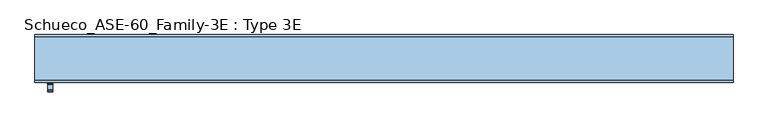
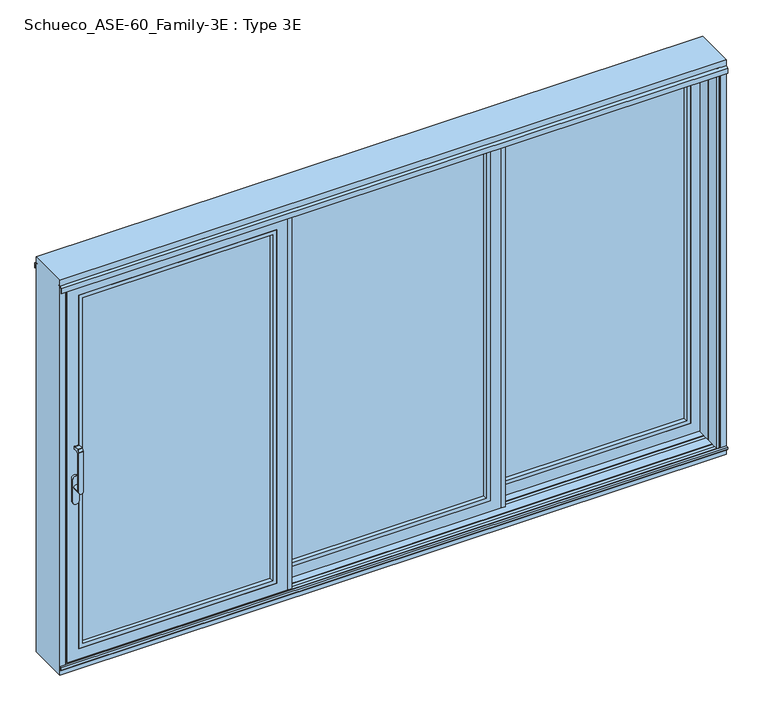
"""IFC4 building model written with IfcOpenShell, lengths in millimetres: window geometry, Schueco_ASE-60_Family-3E : Type 3E."""

from ifc_helpers import new_model, si_unit, point, frame, frame_2d, origin, origin_with_axes, place, context, project, spatial, polyline, circle_curve, trimmed, segment, composite_curve, outline, extrude, faceted_brep, source, transform, mapped, element, save
from ifc_brep_helpers import plane_surface, cylinder_surface, revolved_surface, advanced_brep


def schueco_ase_60_family_3e_type_3e_5dc89afd(model_context):
    return source(origin(), model_context, "Body", "SolidModel", [
        extrude(outline(polyline([(545.6649788, 90.0), (565.6649483, 90.0), (565.6649483, 84.5), (549.4650438, 84.5), (549.4650438, 30.0000255), (596.6665719, 30.0000255), (596.6665719, 14.0000255), (545.6649788, 14.0000255), (545.6649788, 90.0)])), frame((0.0, 0.0, 3.9982816), z_axis=(0.0, 0.0, 1.0), x_axis=(1.0, 0.0, 0.0)), (0.0, 0.0, 1.0), 2127.0034368),
        extrude(outline(polyline([(2071.0, 1690.0), (2071.0, 625.6666667), (64.0, 625.6666667), (64.0, 1690.0), (2071.0, 1690.0)]), holes=[polyline([(2048.987351, 647.6793157), (2048.987351, 1667.987351), (86.012649, 1667.987351), (86.012649, 647.6793157), (2048.987351, 647.6793157)])]), frame((0.0, 30.0000255, 0.0), z_axis=(0.0, 1.0, 0.0), x_axis=(0.0, 0.0, 1.0)), (0.0, 0.0, 1.0), 22.9999656),
        extrude(outline(polyline([(1690.0, 78.9999911), (1690.0, 52.9999911), (625.6666667, 52.9999911), (625.6666667, 78.9999911), (1690.0, 78.9999911)])), frame((0.0, 0.0, 64.0), z_axis=(0.0, 0.0, 1.0), x_axis=(1.0, 0.0, 0.0)), (0.0, 0.0, 1.0), 2007.0),
        faceted_brep([(647.6666667, 78.9999911, 2049.0), (647.6666667, 78.9999911, 86.0), (647.6666667, 90.0, 86.0), (647.6666667, 90.0, 2049.0), (565.6649483, 90.0, 2131.0017184), (1750.0017184, 90.0, 2131.0017184), (1750.0017184, 90.0, 3.9982816), (565.6649483, 90.0, 3.9982816), (1668.0, 90.0, 2049.0), (1668.0, 90.0, 86.0), (1668.0, 78.9999911, 86.0), (1690.0, 78.9999911, 2071.0), (625.6666667, 78.9999911, 2071.0), (625.6666667, 78.9999911, 64.0), (1690.0, 78.9999911, 64.0), (1668.0, 78.9999911, 2049.0), (625.6666667, 30.0000255, 2071.0), (625.6666667, 30.0000255, 64.0), (1690.0, 30.0000255, 64.0), (1750.0, 30.0000255, 2131.0), (565.6666667, 30.0000255, 2131.0), (565.6666667, 30.0000255, 4.0), (1750.0, 30.0000255, 4.0), (1690.0, 30.0000255, 2071.0), (565.6666667, 35.5000255, 2131.0), (565.6666667, 35.5000255, 4.0), (1750.0, 35.5000255, 4.0), (1750.0, 35.5000255, 2131.0), (1720.0, 35.5000255, 2101.0), (595.6666667, 35.5000255, 2101.0), (595.6666667, 35.5000255, 34.0), (1720.0, 35.5000255, 34.0), (595.6666667, 84.5000332, 2101.0), (595.6666667, 84.5000332, 34.0), (1720.0, 84.5000332, 34.0), (1750.0017184, 84.5000332, 2131.0017184), (565.6649483, 84.5000332, 2131.0017184), (565.6649483, 84.5000332, 3.9982816), (1750.0017184, 84.5000332, 3.9982816), (1720.0, 84.5000332, 2101.0)], [[[0, 1, 2, 3]], [[4, 5, 6, 7], [8, 3, 2, 9]], [[1, 10, 9, 2]], [[11, 12, 13, 14], [0, 15, 10, 1]], [[16, 17, 13, 12]], [[17, 18, 14, 13]], [[19, 20, 21, 22], [16, 23, 18, 17]], [[24, 25, 21, 20]], [[25, 26, 22, 21]], [[24, 27, 26, 25], [28, 29, 30, 31]], [[32, 33, 30, 29]], [[33, 34, 31, 30]], [[35, 36, 37, 38], [32, 39, 34, 33]], [[4, 7, 37, 36]], [[7, 6, 38, 37]], [[10, 15, 8, 9]], [[18, 23, 11, 14]], [[26, 27, 19, 22]], [[34, 39, 28, 31]], [[6, 5, 35, 38]], [[15, 0, 3, 8]], [[23, 16, 12, 11]], [[27, 24, 20, 19]], [[39, 32, 29, 28]], [[5, 4, 36, 35]]]),
        advanced_brep(
        [(-1723.75, -191.9999695, 999.005052), (-1699.75, -191.9999695, 999.005052), (-1699.75, -191.9999695, 1224.2360009), (-1723.75, -191.9999695, 1224.2360009), (-1723.75, -143.9999695, 999.005052), (-1699.75, -143.9999695, 999.005052), (-1723.75, -179.9999695, 999.005052), (-1699.75, -179.9999695, 999.005052), (-1699.75, -179.9999695, 1214.6494011), (-1699.75, -172.6493095, 1222.000061), (-1699.75, -151.9999695, 1222.000061), (-1699.75, -149.9999695, 1224.000061), (-1699.75, -149.9999695, 1235.000061), (-1699.75, -151.9999695, 1237.000061), (-1699.75, -179.2359094, 1237.000061), (-1699.75, -180.6501229, 1236.4142746), (-1699.75, -191.414183, 1225.6502145), (-1723.75, -191.414183, 1225.6502145), (-1723.75, -180.6501229, 1236.4142746), (-1723.75, -179.2359094, 1237.000061), (-1723.75, -151.9999695, 1237.000061), (-1723.75, -149.9999695, 1235.000061), (-1723.75, -149.9999695, 1224.000061), (-1723.75, -151.9999695, 1222.000061), (-1723.75, -172.6493095, 1222.000061), (-1723.75, -179.9999695, 1214.6494011)],
        [
            (0, 1, circle_curve(frame((-1711.75, -191.9999695, 999.005052), z_axis=(0.0, -1.0, 0.0), x_axis=(1.0000000000000009, 0.0, 0.0)), 12.0)),
            (1, 2),
            (2, 3),
            (3, 0),
            (4, 5, circle_curve(frame((-1711.75, -143.9999695, 999.005052), z_axis=(0.0, 1.0, 0.0), x_axis=(1.0000000000000009, 0.0, 0.0)), 12.0)),
            (5, 4, circle_curve(frame((-1711.75, -143.9999695, 999.005052), z_axis=(0.0, 1.0, 0.0), x_axis=(1.0000000000000009, 0.0, 0.0)), 12.0)),
            (0, 6),
            (6, 4),
            (5, 7),
            (7, 1),
            (6, 7, circle_curve(frame((-1711.75, -179.9999695, 999.005052), z_axis=(0.0, 1.0, 0.0), x_axis=(1.0000000000000009, 0.0, 0.0)), 12.0)),
            (7, 8),
            (8, 9, circle_curve(frame((-1699.75, -172.6493095, 1214.6494011), z_axis=(-1.0, 0.0, 0.0), x_axis=(0.0, 0.0, -1.0)), 7.35066)),
            (9, 10),
            (10, 11, circle_curve(frame((-1699.75, -151.9999695, 1224.000061), z_axis=(1.0, 0.0, 0.0), x_axis=(0.0, 0.0, -1.0)), 2.0)),
            (11, 12),
            (12, 13, circle_curve(frame((-1699.75, -151.9999695, 1235.000061), z_axis=(1.0, 0.0, 0.0), x_axis=(0.0, 0.0, -1.0)), 2.0)),
            (13, 14),
            (14, 15, circle_curve(frame((-1699.75, -179.2359094, 1235.000061), z_axis=(1.0, 0.0, 0.0), x_axis=(0.0, 0.0, -1.0)), 2.0)),
            (15, 16),
            (16, 2, circle_curve(frame((-1699.75, -189.9999695, 1224.2360009), z_axis=(1.0, 0.0, 0.0), x_axis=(0.0, 0.0, -1.0)), 2.0)),
            (3, 17, circle_curve(frame((-1723.75, -189.9999695, 1224.2360009), z_axis=(-1.0, 0.0, 0.0), x_axis=(0.0, 0.0, -1.0)), 2.0)),
            (17, 18),
            (18, 19, circle_curve(frame((-1723.75, -179.2359094, 1235.000061), z_axis=(-1.0, 0.0, 0.0), x_axis=(0.0, 0.0, -1.0)), 2.0)),
            (19, 20),
            (20, 21, circle_curve(frame((-1723.75, -151.9999695, 1235.000061), z_axis=(-1.0, 0.0, 0.0), x_axis=(0.0, 0.0, -1.0)), 2.0)),
            (21, 22),
            (22, 23, circle_curve(frame((-1723.75, -151.9999695, 1224.000061), z_axis=(-1.0, 0.0, 0.0), x_axis=(0.0, 0.0, -1.0)), 2.0)),
            (23, 24),
            (24, 25, circle_curve(frame((-1723.75, -172.6493095, 1214.6494011), z_axis=(1.0, 0.0, 0.0), x_axis=(0.0, 0.0, -1.0)), 7.35066)),
            (25, 6),
            (25, 8),
            (24, 9),
            (23, 10),
            (22, 11),
            (21, 12),
            (20, 13),
            (19, 14),
            (18, 15),
            (17, 16),
        ],
        [
            plane_surface(frame((-1699.75, -191.9999695, 999.005052), z_axis=(0.0, -1.0, 0.0), x_axis=(0.0, 0.0, 1.0))),
            plane_surface(frame((-1699.75, -143.9999695, 999.005052), z_axis=(0.0, 1.0, 0.0), x_axis=(0.0, 0.0, -1.0))),
            cylinder_surface(frame((-1711.75, -143.9999695, 999.005052), z_axis=(0.0, -1.0000000000000009, 0.0), x_axis=(1.0000000000000009, 0.0, 0.0)), 12.0),
            plane_surface(frame((-1699.75, -191.9999695, 1004.7503433), z_axis=(1.0, 0.0, 0.0), x_axis=(0.0, 0.0, -1.0))),
            plane_surface(frame((-1723.75, -191.9999695, 1004.7503433), z_axis=(-1.0, 0.0, 0.0), x_axis=(0.0, 0.0, 1.0))),
            plane_surface(frame((-1699.75, -179.9999695, 999.0), z_axis=(0.0, 1.0, 0.0), x_axis=(-1.0, 0.0, 0.0))),
            revolved_surface(polyline([(-1723.75, -172.6493095, 1207.2987411), (-1699.75, -172.6493095, 1207.2987411)]), (-1723.75, -172.6493095, 1214.6494011), (-1.0000000000000009, 0.0, 0.0)),
            plane_surface(frame((-1699.75, -172.6493095, 1222.000061), z_axis=(0.0, 0.0, -1.0), x_axis=(-1.0, 0.0, 0.0))),
            cylinder_surface(frame((-1723.75, -151.9999695, 1224.000061), z_axis=(1.0000000000000009, 0.0, 0.0), x_axis=(0.0, 0.0, -1.0)), 2.0),
            plane_surface(frame((-1699.75, -149.9999695, 1224.000061), z_axis=(0.0, 1.0, 0.0), x_axis=(-1.0, 0.0, 0.0))),
            cylinder_surface(frame((-1723.75, -151.9999695, 1235.000061), z_axis=(1.0000000000000009, 0.0, 0.0), x_axis=(0.0, 0.0, -1.0)), 2.0),
            plane_surface(frame((-1699.75, -151.9999695, 1237.000061), z_axis=(0.0, 0.0, 1.0), x_axis=(-1.0, 0.0, 0.0))),
            cylinder_surface(frame((-1723.75, -179.2359094, 1235.000061), z_axis=(1.0000000000000009, 0.0, 0.0), x_axis=(0.0, 0.0, -1.0)), 2.0),
            plane_surface(frame((-1699.75, -180.6501229, 1236.4142746), z_axis=(0.0, -0.7071067811865419, 0.7071067811865531), x_axis=(-1.0, 0.0, 0.0))),
            cylinder_surface(frame((-1723.75, -189.9999695, 1224.2360009), z_axis=(1.0000000000000009, 0.0, 0.0), x_axis=(0.0, 0.0, -1.0)), 2.0),
        ],
        [
            (0, [[1, 2, 3, 4]]),
            (1, [[5, 6]]),
            (2, [[-1, 7, 8, -6, 9, 10]]),
            (2, [[-5, -8, 11, -9]]),
            (3, [[-2, -10, 12, 13, 14, 15, 16, 17, 18, 19, 20, 21]]),
            (4, [[22, 23, 24, 25, 26, 27, 28, 29, 30, 31, -7, -4]]),
            (5, [[-12, -11, -31, 32]]),
            (6, [[-13, -32, -30, 33]]),
            (7, [[-14, -33, -29, 34]]),
            (8, [[-15, -34, -28, 35]]),
            (9, [[-16, -35, -27, 36]]),
            (10, [[-17, -36, -26, 37]]),
            (11, [[-18, -37, -25, 38]]),
            (12, [[-19, -38, -24, 39]]),
            (13, [[-20, -39, -23, 40]]),
            (14, [[-21, -40, -22, -3]]),
        ],
    ),
        extrude(outline(composite_curve([segment(trimmed(circle_curve(frame_2d((917.2823932, -1711.75)), 16.75), [point((917.2823932, -1728.5))], [point((917.2823932, -1695.0))], False, "CARTESIAN"), True, "CONTINUOUS"), segment(polyline([(917.2823932, -1695.0), (1044.0099288, -1695.0)]), True, "CONTINUOUS"), segment(trimmed(circle_curve(frame_2d((1044.0099288, -1711.75)), 16.75), [point((1044.0099288, -1695.0))], [point((1044.0099288, -1728.5))], False, "CARTESIAN"), True, "CONTINUOUS"), segment(polyline([(1044.0099288, -1728.5), (917.2823932, -1728.5)]), True, "CONTINUOUS")], self_intersect=False)), frame((0.0, -143.9999695, 0.0), z_axis=(0.0, 1.0, 0.0), x_axis=(0.0, 0.0, 1.0)), (0.0, 0.0, 1.0), 13.9999695),
        extrude(outline(polyline([(-596.6682903, -54.0000255), (-545.6666972, -54.0000255), (-545.6666972, -130.0), (-565.6666667, -130.0), (-565.6666667, -124.5), (-549.4667622, -124.5), (-549.4667622, -70.0000255), (-596.6682903, -70.0000255), (-596.6682903, -54.0000255)])), frame((0.0, 0.0, 4.0), z_axis=(0.0, 0.0, 1.0), x_axis=(1.0, 0.0, 0.0)), (0.0, 0.0, 1.0), 2127.0),
        extrude(outline(polyline([(2071.0, -1690.0), (64.0, -1690.0), (64.0, -625.6666667), (2071.0, -625.6666667), (2071.0, -1690.0)]), holes=[polyline([(2048.987351, -647.6793157), (86.012649, -647.6793157), (86.012649, -1667.987351), (2048.987351, -1667.987351), (2048.987351, -647.6793157)])]), frame((0.0, -130.0, 0.0), z_axis=(0.0, 1.0, 0.0), x_axis=(0.0, 0.0, 1.0)), (0.0, 0.0, 1.0), 22.9999656),
        extrude(outline(polyline([(-1690.0, -81.0000344), (-625.6666667, -81.0000344), (-625.6666667, -107.0000344), (-1690.0, -107.0000344), (-1690.0, -81.0000344)])), frame((0.0, 0.0, 64.0), z_axis=(0.0, 0.0, 1.0), x_axis=(1.0, 0.0, 0.0)), (0.0, 0.0, 1.0), 2007.0),
        faceted_brep([(-647.6666667, -81.0000344, 2049.0), (-647.6666667, -70.0000255, 2049.0), (-647.6666667, -70.0000255, 86.0), (-647.6666667, -81.0000344, 86.0), (-565.6649483, -70.0000255, 2131.0017184), (-565.6649483, -70.0000255, 3.9982816), (-1750.0017184, -70.0000255, 3.9982816), (-1750.0017184, -70.0000255, 2131.0017184), (-1668.0, -70.0000255, 2049.0), (-1668.0, -70.0000255, 86.0), (-1668.0, -81.0000344, 86.0), (-1690.0, -81.0000344, 2071.0), (-1690.0, -81.0000344, 64.0), (-625.6666667, -81.0000344, 64.0), (-625.6666667, -81.0000344, 2071.0), (-1668.0, -81.0000344, 2049.0), (-625.6666667, -130.0, 2071.0), (-625.6666667, -130.0, 64.0), (-1690.0, -130.0, 64.0), (-1750.0, -130.0, 2131.0), (-1750.0, -130.0, 4.0), (-565.6666667, -130.0, 4.0), (-565.6666667, -130.0, 2131.0), (-1690.0, -130.0, 2071.0), (-565.6666667, -124.5, 2131.0), (-565.6666667, -124.5, 4.0), (-1750.0, -124.5, 4.0), (-1750.0, -124.5, 2131.0), (-1720.0, -124.5, 2101.0), (-1720.0, -124.5, 34.0), (-595.6666667, -124.5, 34.0), (-595.6666667, -124.5, 2101.0), (-595.6666667, -75.4999923, 2101.0), (-595.6666667, -75.4999923, 34.0), (-1720.0, -75.4999923, 34.0), (-1750.0017184, -75.4999923, 2131.0017184), (-1750.0017184, -75.4999923, 3.9982816), (-565.6649483, -75.4999923, 3.9982816), (-565.6649483, -75.4999923, 2131.0017184), (-1720.0, -75.4999923, 2101.0)], [[[0, 1, 2, 3]], [[4, 5, 6, 7], [8, 9, 2, 1]], [[3, 2, 9, 10]], [[11, 12, 13, 14], [0, 3, 10, 15]], [[16, 14, 13, 17]], [[17, 13, 12, 18]], [[19, 20, 21, 22], [16, 17, 18, 23]], [[24, 22, 21, 25]], [[25, 21, 20, 26]], [[24, 25, 26, 27], [28, 29, 30, 31]], [[32, 31, 30, 33]], [[33, 30, 29, 34]], [[35, 36, 37, 38], [32, 33, 34, 39]], [[4, 38, 37, 5]], [[5, 37, 36, 6]], [[10, 9, 8, 15]], [[18, 12, 11, 23]], [[26, 20, 19, 27]], [[34, 29, 28, 39]], [[6, 36, 35, 7]], [[15, 8, 1, 0]], [[23, 11, 14, 16]], [[27, 19, 22, 24]], [[39, 28, 31, 32]], [[7, 35, 38, 4]]]),
        extrude(outline(polyline([(-647.6683546, 10.0), (-627.6683851, 10.0), (-627.6683851, 4.5), (-643.8682895, 4.5), (-643.8682895, -49.9999745), (-596.6667615, -49.9999745), (-596.6667615, -65.9999745), (-647.6683546, -65.9999745), (-647.6683546, 10.0)])), frame((0.0, 0.0, 3.9982816), z_axis=(0.0, 0.0, 1.0), x_axis=(1.0, 0.0, 0.0)), (0.0, 0.0, 1.0), 2127.0034368),
        extrude(outline(polyline([(596.6650431, 26.0), (647.6666361, 26.0), (647.6666361, -49.9999745), (627.6666667, -49.9999745), (627.6666667, -44.4999745), (643.8665711, -44.4999745), (643.8665711, 10.0), (596.6650431, 10.0), (596.6650431, 26.0)])), frame((0.0, 0.0, 4.0), z_axis=(0.0, 0.0, 1.0), x_axis=(1.0, 0.0, 0.0)), (0.0, 0.0, 1.0), 2127.0),
        extrude(outline(polyline([(2071.0, -567.6666667), (64.0, -567.6666667), (64.0, 567.6666667), (2071.0, 567.6666667), (2071.0, -567.6666667)]), holes=[polyline([(2048.987351, 545.6540176), (86.012649, 545.6540176), (86.012649, -545.6540176), (2048.987351, -545.6540176), (2048.987351, 545.6540176)])]), frame((0.0, -49.9999745, 0.0), z_axis=(0.0, 1.0, 0.0), x_axis=(0.0, 0.0, 1.0)), (0.0, 0.0, 1.0), 22.9999656),
        extrude(outline(polyline([(-567.6666667, -1.0000089), (567.6666667, -1.0000089), (567.6666667, -27.0000089), (-567.6666667, -27.0000089), (-567.6666667, -1.0000089)])), frame((0.0, 0.0, 64.0), z_axis=(0.0, 0.0, 1.0), x_axis=(1.0, 0.0, 0.0)), (0.0, 0.0, 1.0), 2007.0),
        faceted_brep([(545.6666667, -1.0000089, 2049.0), (545.6666667, 10.0, 2049.0), (545.6666667, 10.0, 86.0), (545.6666667, -1.0000089, 86.0), (627.6683851, 10.0, 2131.0017184), (627.6683851, 10.0, 3.9982816), (-627.6683851, 10.0, 3.9982816), (-627.6683851, 10.0, 2131.0017184), (-545.6666667, 10.0, 2049.0), (-545.6666667, 10.0, 86.0), (-545.6666667, -1.0000089, 86.0), (-567.6666667, -1.0000089, 2071.0), (-567.6666667, -1.0000089, 64.0), (567.6666667, -1.0000089, 64.0), (567.6666667, -1.0000089, 2071.0), (-545.6666667, -1.0000089, 2049.0), (567.6666667, -49.9999745, 2071.0), (567.6666667, -49.9999745, 64.0), (-567.6666667, -49.9999745, 64.0), (-627.6666667, -49.9999745, 2131.0), (-627.6666667, -49.9999745, 4.0), (627.6666667, -49.9999745, 4.0), (627.6666667, -49.9999745, 2131.0), (-567.6666667, -49.9999745, 2071.0), (627.6666667, -44.4999745, 2131.0), (627.6666667, -44.4999745, 4.0), (-627.6666667, -44.4999745, 4.0), (-627.6666667, -44.4999745, 2131.0), (-597.6666667, -44.4999745, 2101.0), (-597.6666667, -44.4999745, 34.0), (597.6666667, -44.4999745, 34.0), (597.6666667, -44.4999745, 2101.0), (597.6666667, 4.5000332, 2101.0), (597.6666667, 4.5000332, 34.0), (-597.6666667, 4.5000332, 34.0), (-627.6683851, 4.5000332, 2131.0017184), (-627.6683851, 4.5000332, 3.9982816), (627.6683851, 4.5000332, 3.9982816), (627.6683851, 4.5000332, 2131.0017184), (-597.6666667, 4.5000332, 2101.0)], [[[0, 1, 2, 3]], [[4, 5, 6, 7], [8, 9, 2, 1]], [[3, 2, 9, 10]], [[11, 12, 13, 14], [0, 3, 10, 15]], [[16, 14, 13, 17]], [[17, 13, 12, 18]], [[19, 20, 21, 22], [16, 17, 18, 23]], [[24, 22, 21, 25]], [[25, 21, 20, 26]], [[24, 25, 26, 27], [28, 29, 30, 31]], [[32, 31, 30, 33]], [[33, 30, 29, 34]], [[35, 36, 37, 38], [32, 33, 34, 39]], [[4, 38, 37, 5]], [[5, 37, 36, 6]], [[10, 9, 8, 15]], [[18, 12, 11, 23]], [[26, 20, 19, 27]], [[34, 29, 28, 39]], [[6, 36, 35, 7]], [[15, 8, 1, 0]], [[23, 11, 14, 16]], [[27, 19, 22, 24]], [[39, 28, 31, 32]], [[7, 35, 38, 4]]]),
        extrude(outline(polyline([(-1739.0, 15.0), (-1758.0007202, 15.0), (-1758.0007202, 19.0), (-1742.0, 19.0), (-1742.0, 78.2882381), (-1750.0, 81.2), (-1750.0, 90.0), (-1739.0, 90.0), (-1739.0, 15.0)])), frame((0.0, 0.0, -19.0), z_axis=(0.0, 0.0, 1.0), x_axis=(1.0, 0.0, 0.0)), (0.0, 0.0, 1.0), 2176.5),
        extrude(outline(polyline([(-1739.0, -65.0), (-1758.0007202, -65.0), (-1758.0007202, -61.0), (-1742.0, -61.0), (-1742.0, -1.7117619), (-1750.0, 1.2), (-1750.0, 10.0), (-1739.0, 10.0), (-1739.0, -65.0)])), frame((0.0, 0.0, -19.0), z_axis=(0.0, 0.0, 1.0), x_axis=(1.0, 0.0, 0.0)), (0.0, 0.0, 1.0), 2176.5),
        extrude(outline(polyline([(1739.0, -55.0), (1758.0007202, -55.0), (1758.0007202, -59.0), (1742.0, -59.0), (1742.0, -118.2882381), (1750.0, -121.2), (1750.0, -130.0), (1739.0, -130.0), (1739.0, -55.0)])), origin_with_axes(), (0.0, 0.0, 1.0), 2157.5),
        extrude(outline(polyline([(1739.0, 25.0), (1758.0007202, 25.0), (1758.0007202, 21.0), (1742.0, 21.0), (1742.0, -38.2882381), (1750.0, -41.2), (1750.0, -50.0), (1739.0, -50.0), (1739.0, 25.0)])), origin_with_axes(), (0.0, 0.0, 1.0), 2157.5),
        faceted_brep([(1790.0, 90.0, -51.0), (1790.0, -130.0, -51.0), (-1790.0, -130.0, -51.0), (-1790.0, 90.0, -51.0), (1790.0, 90.0, 2190.0), (1790.0, -130.0, 2190.0), (-1790.0, -130.0, 2190.0), (-1758.0, -130.0, -19.0), (-1758.0, -130.0, 2157.5), (1758.0, -130.0, 2157.5), (1758.0, -130.0, -19.0), (-1790.0, 90.0, 2190.0), (1758.0, 90.0, -19.0), (1758.0, 90.0, 2157.5), (-1758.0, 90.0, 2157.5), (-1758.0, 90.0, -19.0), (-1758.0, -121.2000255, -19.0), (-1758.0, -121.2000255, 2157.5), (1758.0, -121.2000255, 2157.5), (1758.0, -121.2000255, -19.0), (1742.0, -81.7120495, -3.0), (1742.0, -118.2882636, -3.0), (1742.0, -118.2882636, 2122.0), (1742.0, -81.7120495, 2122.0), (1742.0, -81.7120495, 2155.2007202), (1742.0, -81.7120495, 2130.9120495), (1742.0, -85.8, 2135.0), (1742.0, -85.8, 2155.2007202), (1742.0, -118.2882636, 2130.9117364), (1742.0, -118.2882636, 2142.0), (1742.0, -114.2, 2142.0), (1742.0, -114.2, 2135.0), (-1742.0, -81.7120244, -3.0), (-1742.0, -118.2882385, -3.0), (1750.0, -121.2000255, -11.00007), (1750.0, -121.2000255, 2150.0), (1746.7029571, -120.0, 2129.2), (1746.7029571, -120.0, 2122.0), (1750.0007202, -78.8000255, -11.0006502), (1746.7038173, -80.0, 2122.0), (1746.7038173, -80.0, 2129.2), (1750.0007202, -78.8000255, 2155.2007202), (-1750.0, -121.2000255, -11.00007), (-1750.0, -121.2000255, 2150.0), (-1741.9999997, -118.2882635, 2122.0), (-1746.7029571, -120.0, 2122.0), (-1746.7029571, -120.0, 2129.2), (-1741.9999996, -118.2882635, 2130.9117365), (-1741.9999998, -118.2882635, 2142.0), (-1750.0007202, -78.8000255, -11.0006502), (1758.0007202, -78.8000255, 2155.2007202), (1758.0007202, -78.8000255, -19.0007202), (-1758.0007202, -78.8000255, -19.0007202), (-1758.0007202, -78.8000255, 2155.2007202), (-1750.0007202, -78.8000255, 2155.2007202), (1758.0007202, -41.2000255, -19.0007202), (1758.0007202, -41.2000255, 2155.2007202), (-1758.0007202, -41.2000255, -19.0007202), (-1758.0007202, -41.2000255, 2155.2007202), (-1742.0000001, -81.7120494, 2155.2007202), (-1742.0000002, -81.7120494, 2130.9120494), (-1746.7038173, -80.0, 2129.2), (-1746.7038173, -80.0, 2122.0), (-1742.0000003, -81.7120494, 2122.0), (1750.0007202, -41.2000255, -11.0007902), (-1750.0007202, -41.2000255, -11.0007902), (-1750.0007202, -41.2000255, 2155.2007202), (1750.0007202, -41.2000255, 2155.2007202), (1741.9999672, -38.2879895, -3.0000372), (-1741.999931, -38.287976, -3.0000001), (-1741.9999979, -38.2880007, 2122.0), (-1746.7036773, -40.0, 2122.0), (-1746.7036773, -40.0, 2129.2), (-1741.9999981, -38.2880008, 2130.9119992), (-1741.9999989, -38.2880011, 2155.2007202), (1742.0, -38.2880015, 2155.2007202), (1742.0, -38.2880015, 2130.9119985), (1746.7036773, -40.0, 2129.2), (1746.7036773, -40.0, 2122.0), (1742.0, -38.2880015, 2122.0), (1742.0, -34.2, 2155.2007202), (1742.0, -34.2, 2135.0), (1742.0, -1.7117619, -3.0), (1742.0, -1.7117619, 2122.0), (1742.0, -1.7117619, 2155.2007202), (1742.0, -1.7117619, 2130.9117619), (1742.0, -5.8, 2135.0), (1742.0, -5.8, 2155.2007202), (-1742.0, -1.7117619, -3.0), (1750.0, 1.2, -11.0), (1746.7030271, 0.0, 2122.0), (1746.7030271, 0.0, 2129.2), (1750.0, 1.2, 2155.2007202), (-1750.0, 1.2, -11.0), (1758.0, 1.2, 2155.2007202), (1758.0, 1.2, -19.0), (-1758.0, 1.2, -19.0), (-1758.0, 1.2, 2155.2007202), (-1750.0, 1.2, 2155.2007202), (-1742.0, -1.7117619, 2155.2007202), (-1742.0, -1.7117619, 2130.9117619), (-1746.7030271, 0.0, 2129.2), (-1746.7030271, 0.0, 2122.0), (-1742.0, -1.7117619, 2122.0), (1758.0, 38.7999745, -19.0), (-1758.0, 38.7999745, -19.0), (-1758.0, 38.7999745, 2155.2007202), (1758.0, 38.7999745, 2155.2007202), (1750.0007202, 38.7999745, -11.0007902), (-1750.0007202, 38.7999745, -11.0007902), (-1750.0007202, 38.7999745, 2155.2007202), (1750.0007202, 38.7999745, 2155.2007202), (-1742.0, -5.8, 2155.2007202), (-1742.0, -5.8, 2135.0), (-1742.0, -34.2, 2135.0), (-1742.0, -34.2, 2155.2007202), (-1742.0, -85.8, 2155.2007202), (-1742.0, -85.8, 2135.0), (-1742.0, -114.2, 2135.0), (-1742.0, -114.2, 2142.0), (1742.0, 41.7119985, -3.00007), (-1741.999931, 41.7120237, -3.000001), (-1741.9999979, 41.7119993, 2122.0), (-1746.7036773, 40.0, 2122.0), (-1746.7036773, 40.0, 2129.2), (-1741.9999981, 41.7119992, 2130.9119992), (-1741.9999989, 41.7119989, 2155.2007202), (-1742.0, 45.8, 2135.0), (-1742.0, 45.8, 2155.2007202), (-1742.0, 78.2882381, -3.0), (-1742.0, 78.2882381, 2122.0), (-1742.0, 78.2882381, 2130.9117619), (-1742.0, 78.2882381, 2142.0), (-1742.0, 74.2, 2142.0), (-1742.0, 74.2, 2135.0), (1742.0, 78.2882381, -3.0), (-1750.0, 81.2, -11.0), (-1750.0, 81.2, 2150.0), (-1746.7030271, 80.0, 2129.2), (-1746.7030271, 80.0, 2122.0), (1750.0, 81.2, -11.0), (1758.0, 81.2, -19.0), (-1758.0, 81.2, -19.0), (-1758.0, 81.2, 2157.5), (1758.0, 81.2, 2157.5), (1750.0, 81.2, 2150.0), (1742.0, 78.2882381, 2122.0), (1746.7030271, 80.0, 2122.0), (1746.7030271, 80.0, 2129.2), (1742.0, 78.2882381, 2130.9117619), (1742.0, 78.2882381, 2142.0), (1742.0, 41.7119985, 2122.0), (1742.0, 74.2, 2135.0), (1742.0, 74.2, 2142.0), (1742.0, 41.7119985, 2130.9119985), (1742.0, 41.7119985, 2155.2007202), (1742.0, 45.8, 2155.2007202), (1742.0, 45.8, 2135.0), (1746.7036773, 40.0, 2129.2), (1746.7036773, 40.0, 2122.0)], [[[0, 1, 2, 3]], [[0, 4, 5, 1]], [[5, 6, 2, 1], [7, 8, 9, 10]], [[11, 3, 2, 6]], [[11, 4, 0, 3], [12, 13, 14, 15]], [[7, 16, 17, 8]], [[18, 19, 10, 9]], [[10, 19, 16, 7]], [[20, 21, 22, 23]], [[24, 25, 26, 27]], [[28, 29, 30, 31]], [[21, 20, 32, 33]], [[21, 34, 35, 29, 28, 36, 37, 22]], [[38, 20, 23, 39, 40, 25, 24, 41]], [[16, 19, 18, 17], [34, 42, 43, 35]], [[34, 21, 33, 42]], [[42, 33, 44, 45, 46, 47, 48, 43]], [[20, 38, 49, 32]], [[49, 38, 41, 50, 51, 52, 53, 54]], [[55, 51, 50, 56]], [[51, 55, 57, 52]], [[52, 57, 58, 53]], [[32, 49, 54, 59, 60, 61, 62, 63]], [[64, 65, 66, 58, 57, 55, 56, 67]], [[64, 68, 69, 65]], [[65, 69, 70, 71, 72, 73, 74, 66]], [[68, 64, 67, 75, 76, 77, 78, 79]], [[76, 75, 80, 81]], [[82, 68, 79, 83]], [[84, 85, 86, 87]], [[68, 82, 88, 69]], [[89, 82, 83, 90, 91, 85, 84, 92]], [[82, 89, 93, 88]], [[93, 89, 92, 94, 95, 96, 97, 98]], [[88, 93, 98, 99, 100, 101, 102, 103]], [[95, 104, 105, 96]], [[96, 105, 106, 97]], [[104, 95, 94, 107]], [[108, 109, 110, 106, 105, 104, 107, 111]], [[69, 88, 103, 70]], [[100, 99, 112, 113]], [[74, 73, 114, 115]], [[33, 32, 63, 44]], [[60, 59, 116, 117]], [[48, 47, 118, 119]], [[108, 120, 121, 109]], [[109, 121, 122, 123, 124, 125, 126, 110]], [[126, 125, 127, 128]], [[121, 129, 130, 122]], [[131, 132, 133, 134]], [[120, 135, 129, 121]], [[129, 136, 137, 132, 131, 138, 139, 130]], [[135, 140, 136, 129]], [[141, 142, 143, 144], [136, 140, 145, 137]], [[143, 142, 15, 14]], [[141, 12, 15, 142]], [[12, 141, 144, 13]], [[140, 135, 146, 147, 148, 149, 150, 145]], [[135, 120, 151, 146]], [[150, 149, 152, 153]], [[154, 155, 156, 157]], [[120, 108, 111, 155, 154, 158, 159, 151]], [[5, 4, 11, 6]], [[9, 8, 17, 18]], [[62, 39, 23, 22, 37, 45, 44, 63]], [[117, 26, 25, 40, 61, 60]], [[116, 27, 26, 117]], [[115, 80, 75, 67, 56, 50, 41, 24, 27, 116, 59, 54, 53, 58, 66, 74]], [[29, 48, 119, 30]], [[118, 31, 30, 119]], [[46, 36, 28, 31, 118, 47]], [[48, 29, 35, 43]], [[45, 37, 36, 46]], [[61, 40, 39, 62]], [[72, 77, 76, 81, 114, 73]], [[71, 78, 77, 72]], [[102, 90, 83, 79, 78, 71, 70, 103]], [[114, 81, 80, 115]], [[113, 86, 85, 91, 101, 100]], [[112, 87, 86, 113]], [[101, 91, 90, 102]], [[128, 156, 155, 111, 107, 94, 92, 84, 87, 112, 99, 98, 97, 106, 110, 126]], [[156, 128, 127, 157]], [[139, 147, 146, 151, 159, 123, 122, 130]], [[123, 159, 158, 124]], [[124, 158, 154, 157, 127, 125]], [[132, 150, 153, 133]], [[133, 153, 152, 134]], [[134, 152, 149, 148, 138, 131]], [[137, 145, 150, 132]], [[138, 148, 147, 139]], [[14, 13, 144, 143]]]),
        extrude(outline(polyline([(-143.0, -2.0), (-130.0, -2.0), (-130.0, -21.8), (-136.4, -21.8), (-143.0, -15.2), (-143.0, -2.0)])), frame((-1790.0, 0.0, 0.0), z_axis=(1.0, 0.0, 0.0), x_axis=(0.0, 1.0, 0.0)), (0.0, 0.0, 1.0), 3580.0),
        extrude(outline(polyline([(-121.2000255, 2150.5), (-138.5243789, 2150.5), (-141.0000233, 2149.0706861), (-141.0000233, 2121.5), (-142.6000233, 2121.5), (-142.6000233, 2150.225198), (-129.9996967, 2157.5), (-121.2000255, 2157.5), (-121.2000255, 2150.5)])), frame((-1790.0, 0.0, 0.0), z_axis=(1.0, 0.0, 0.0), x_axis=(0.0, 1.0, 0.0)), (0.0, 0.0, 1.0), 3580.0),
        extrude(outline(polyline([(81.2000255, 2150.5), (81.2000255, 2157.5), (89.9996967, 2157.5), (102.6000233, 2150.225198), (102.6000233, 2121.5), (101.0000233, 2121.5), (101.0000233, 2149.0706861), (98.5243789, 2150.5), (81.2000255, 2150.5)])), frame((-1790.0, 0.0, 0.0), z_axis=(1.0, 0.0, 0.0), x_axis=(0.0, 1.0, 0.0)), (0.0, 0.0, 1.0), 3580.0),
        extrude(outline(polyline([(38.7999745, -11.0007902), (38.7999745, -19.0007202), (1.1999745, -19.0007202), (1.1999745, -11.0006502), (-1.7120375, -2.9999628), (-8.0, -2.9999628), (-8.0, 0.0), (48.0000255, 0.0), (48.0000255, -3.0), (41.712024, -3.0), (38.7999745, -11.0007902)])), frame((-1758.0007202, 0.0, 0.0), z_axis=(1.0, 0.0, 0.0), x_axis=(0.0, 1.0, 0.0)), (0.0, 0.0, 1.0), 3516.0014404),
        extrude(outline(polyline([(90.0, -11.0), (81.2, -11.0), (78.2882381, -3.0), (72.0000255, -3.0), (72.0000255, 0.0), (90.0, 0.0), (90.0, -11.0)])), frame((-1758.0007202, 0.0, 0.0), z_axis=(1.0, 0.0, 0.0), x_axis=(0.0, 1.0, 0.0)), (0.0, 0.0, 1.0), 3516.0014404),
        extrude(outline(polyline([(-118.2882246, -2.9999628), (-121.2000255, -11.00007), (-121.2000255, -19.0007202), (-130.0, -19.0007202), (-130.0, 0.0), (-112.0, 0.0), (-112.0, -2.9999628), (-118.2882246, -2.9999628)])), frame((-1758.0007202, 0.0, 0.0), z_axis=(1.0, 0.0, 0.0), x_axis=(0.0, 1.0, 0.0)), (0.0, 0.0, 1.0), 3516.0014404),
        extrude(outline(polyline([(-41.2000255, -11.0007902), (-41.2000255, -19.0007202), (-78.8000255, -19.0007202), (-78.8000255, -11.0006502), (-81.7120375, -2.9999628), (-88.0, -2.9999628), (-88.0, 0.0), (-31.9999745, 0.0), (-31.9999745, -3.0), (-38.287976, -3.0), (-41.2000255, -11.0007902)])), frame((-1758.0007202, 0.0, 0.0), z_axis=(1.0, 0.0, 0.0), x_axis=(0.0, 1.0, 0.0)), (0.0, 0.0, 1.0), 3516.0014404),
    ])


if __name__ == "__main__":
    model = new_model("IFC4")
    model_context = context("Model", 3, world=origin())
    ifc_project = project(units=[si_unit("LENGTHUNIT", "METRE", prefix="MILLI")], contexts=[model_context])
    site = spatial("IfcSite", under=ifc_project)
    building = spatial("IfcBuilding", under=site)
    placement = place(None, origin())
    schueco_ase_60_family_3e_type_3e_shape = schueco_ase_60_family_3e_type_3e_5dc89afd(model_context)
    element("IfcWindow", 1, ObjectType="Schueco_ASE-60_Family-3E : Type 3E", at=placement, inside=building, context=model_context, shape_type="MappedRepresentation", body=[
        mapped(schueco_ase_60_family_3e_type_3e_shape, transform((0.0, 0.0, 0.0), x_axis=(1.0, 0.0, 0.0), y_axis=(0.0, 1.0, 0.0), z_axis=(0.0, 0.0, 1.0))),
    ])
    save(model, "model.ifc")
